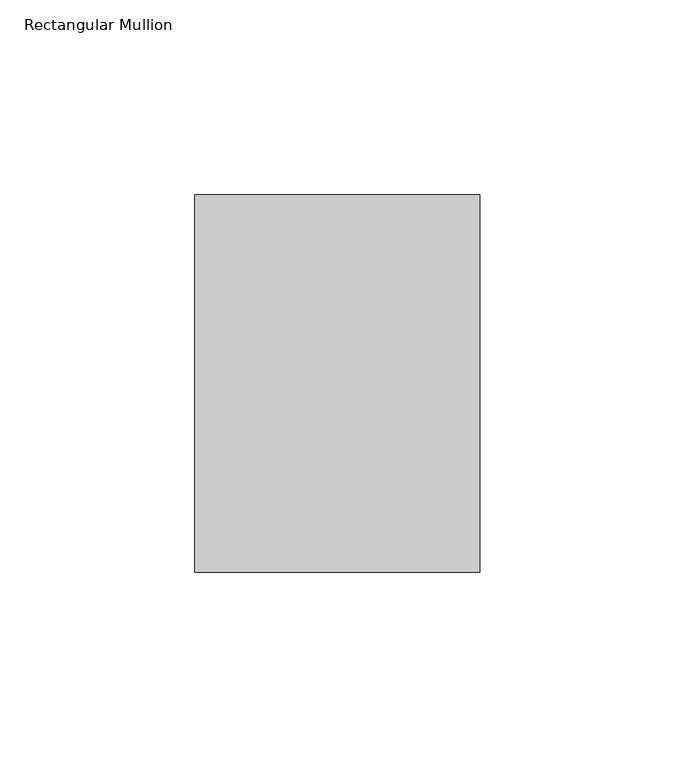
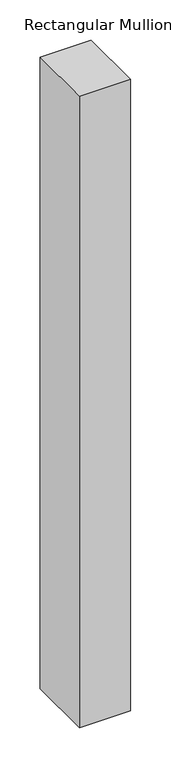
"""IFC4 building model written with IfcOpenShell, lengths in millimetres: member geometry, Rectangular Mullion."""

from ifc_helpers import new_model, si_unit, frame, origin, place, context, project, spatial, polyline, outline, extrude, source, transform, mapped, element, save


def rectangular_mullion_a7f8e497(model_context):
    return source(origin(), model_context, "Body", "SweptSolid", [
        extrude(outline(polyline([(0.0, 48.41875), (0.0, -48.41875), (-73.025, -48.41875), (-73.025, 48.41875), (0.0, 48.41875)])), frame((0.0, 0.0, -954.0875), z_axis=(0.0, 0.0, 1.0), x_axis=(1.0, 0.0, 0.0)), (0.0, 0.0, 1.0), 954.0875),
    ])


if __name__ == "__main__":
    model = new_model("IFC4")
    model_context = context("Model", 3, world=origin())
    ifc_project = project(units=[si_unit("LENGTHUNIT", "METRE", prefix="MILLI")], contexts=[model_context])
    site = spatial("IfcSite", under=ifc_project)
    building = spatial("IfcBuilding", under=site)
    placement = place(None, origin())
    rectangular_mullion_shape = rectangular_mullion_a7f8e497(model_context)
    element("IfcMember", 1, ObjectType="Rectangular Mullion", at=placement, inside=building, context=model_context, shape_type="MappedRepresentation", body=[
        mapped(rectangular_mullion_shape, transform((0.0, 0.0, 0.0), x_axis=(1.0, 0.0, 0.0), y_axis=(0.0, 1.0, 0.0), z_axis=(0.0, 0.0, 1.0))),
    ])
    save(model, "model.ifc")
